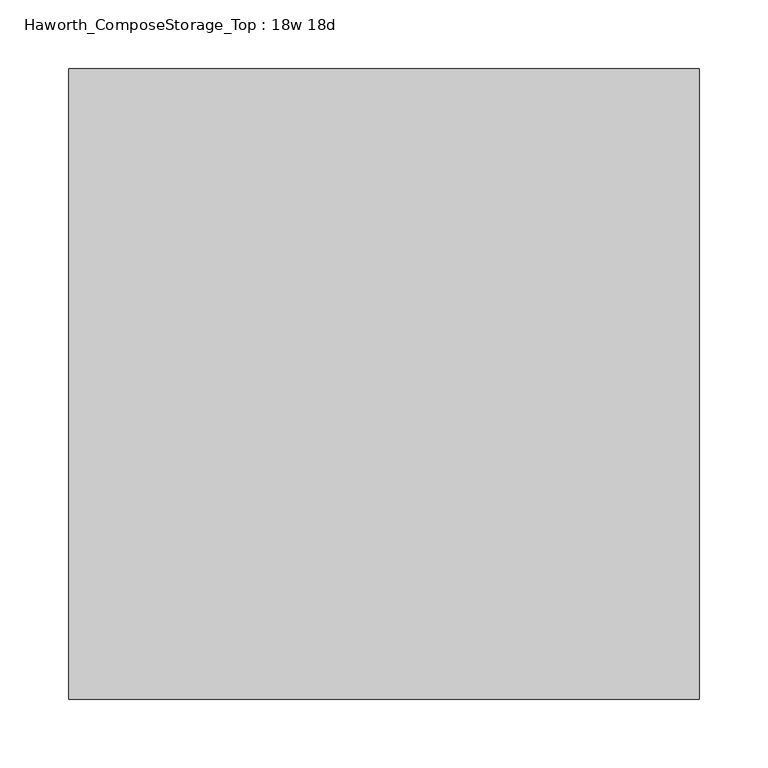
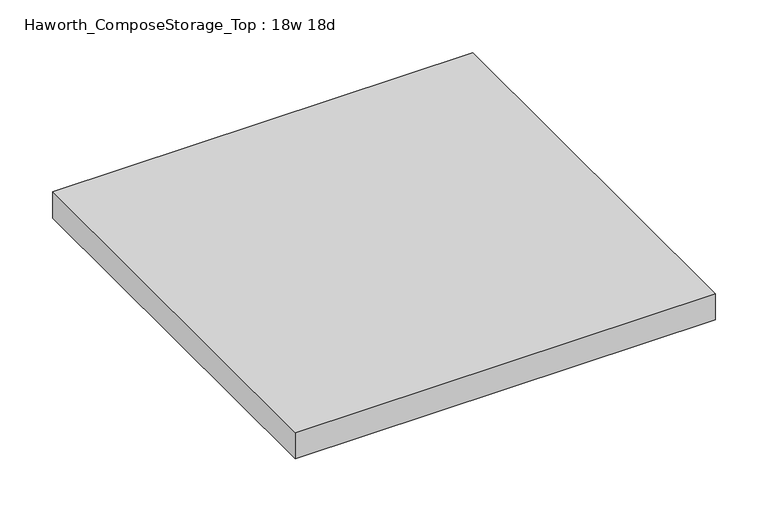
"""IFC4 building model written with IfcOpenShell, lengths in millimetres: furniture geometry, Haworth_ComposeStorage_Top : 18w 18d."""

from ifc_helpers import new_model, si_unit, frame, origin, place, context, project, spatial, polyline, outline, extrude, source, transform, mapped, element, save


def haworth_composestorage_top_18w_18d_8aaf7a85(model_context):
    return source(origin(), model_context, "Body", "SweptSolid", [
        extrude(outline(polyline([(228.6, 228.6), (228.6, -228.6), (-228.6, -228.6), (-228.6, 228.6), (228.6, 228.6)])), frame((0.0, 0.0, 706.4375), z_axis=(0.0, 0.0, 1.0), x_axis=(1.0, 0.0, 0.0)), (0.0, 0.0, 1.0), 30.1625),
    ])


if __name__ == "__main__":
    model = new_model("IFC4")
    model_context = context("Model", 3, world=origin())
    ifc_project = project(units=[si_unit("LENGTHUNIT", "METRE", prefix="MILLI")], contexts=[model_context])
    site = spatial("IfcSite", under=ifc_project)
    building = spatial("IfcBuilding", under=site)
    placement = place(None, origin())
    haworth_composestorage_top_18w_18d_shape = haworth_composestorage_top_18w_18d_8aaf7a85(model_context)
    element("IfcFurniture", 1, ObjectType="Haworth_ComposeStorage_Top : 18w 18d", at=placement, inside=building, context=model_context, shape_type="MappedRepresentation", body=[
        mapped(haworth_composestorage_top_18w_18d_shape, transform((0.0, 0.0, 0.0), x_axis=(1.0, 0.0, 0.0), y_axis=(0.0, 1.0, 0.0), z_axis=(0.0, 0.0, 1.0))),
    ])
    save(model, "model.ifc")
